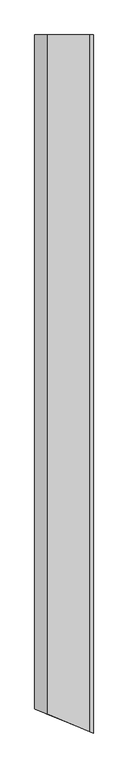
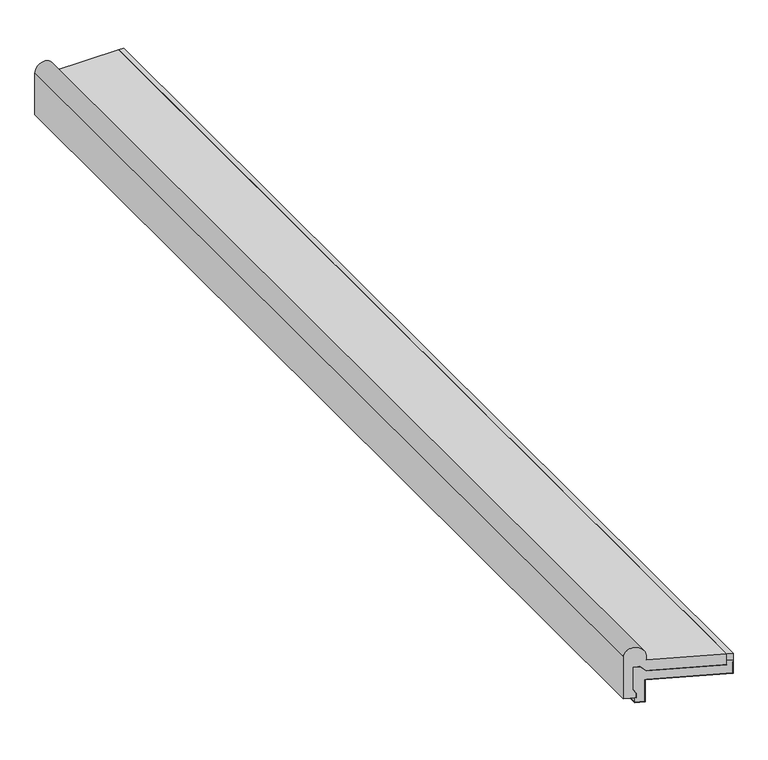
"""IFC4 building model written with IfcOpenShell, lengths in millimetres: proxy geometry."""

from ifc_helpers import new_model, si_unit, frame, origin, place, context, project, spatial, polyline, circle_curve, ellipse_curve, outline, extrude, faceted_brep, source, transform, mapped, element, save
from ifc_brep_helpers import plane_surface, cylinder_surface, advanced_brep


def generic_models_6fe4d496(model_context):
    return source(origin(), model_context, "Body", "SolidModel", [
        extrude(outline(polyline([(180.0, 1136.5934486), (191.0, 1136.5934486), (191.0, -1136.5934486), (180.0, -1132.0370994), (180.0, 1136.5934486)])), frame((0.0, 0.0, 81.0), z_axis=(0.0, 0.0, 1.0), x_axis=(1.0, 0.0, 0.0)), (0.0, 0.0, 1.0), 15.0),
        faceted_brep([(190.0, -1136.1792351, 76.0), (190.0, -1136.1792351, 51.0), (37.5062786, -1073.0142675, 51.0), (37.5062786, -1073.0142675, 1.0), (20.0, -1065.7629295, 1.0), (20.0, -1065.7629295, 0.0), (38.5062786, -1073.4284811, 0.0), (38.5062786, -1073.4284811, 50.0), (191.0, -1136.5934486, 50.0), (191.0, -1136.5934486, 76.0), (190.0, 1136.5934486, 76.0), (190.0, 1136.5934486, 51.0), (191.0, 1136.5934486, 76.0), (191.0, 1136.5934486, 50.0), (38.5062786, 1136.5934486, 50.0), (38.5062786, 1136.5934486, 0.0), (20.0, 1136.5934486, 0.0), (20.0, 1136.5934486, 1.0), (37.5062786, 1136.5934486, 1.0), (37.5062786, 1136.5934486, 51.0)], [[[0, 1, 2, 3, 4, 5, 6, 7, 8, 9]], [[10, 11, 1, 0]], [[12, 10, 0, 9]], [[13, 12, 9, 8]], [[14, 13, 8, 7]], [[15, 14, 7, 6]], [[16, 15, 6, 5]], [[17, 16, 5, 4]], [[18, 17, 4, 3]], [[19, 18, 3, 2]], [[11, 19, 2, 1]], [[11, 10, 12, 13, 14, 15, 16, 17, 18, 19]]]),
        faceted_brep([(17.5062786, -1064.7299963, 29.6493791), (22.5, -1066.7984634, 21.0), (22.5, -1066.7984634, 11.0), (20.0, -1065.7629295, 11.0), (20.0, -1065.7629295, 1.0), (37.5062786, -1073.0142675, 1.0), (37.5062786, -1073.0142675, 51.0), (190.0, -1136.1792351, 51.0), (190.0, -1136.1792351, 76.0), (191.0, -1136.5934486, 76.0), (191.0, -1136.5934486, 81.0), (180.0, -1132.0370994, 81.0), (180.0, -1132.0370994, 71.0), (40.0, -1074.0472007, 71.0), (30.0, -1069.9050651, 81.0), (17.5062786, -1064.7299963, 81.0), (17.5062786, 1136.5934486, 29.6493791), (22.5, 1136.5934486, 21.0), (17.5062786, 1136.5934486, 81.0), (30.0, 1136.5934486, 81.0), (40.0, 1136.5934486, 71.0), (180.0, 1136.5934486, 71.0), (180.0, 1136.5934486, 81.0), (191.0, 1136.5934486, 81.0), (190.0, 1136.5934486, 51.0), (190.0, 1136.5934486, 76.0), (37.5062786, 1136.5934486, 51.0), (37.5062786, 1136.5934486, 1.0), (20.0, 1136.5934486, 1.0), (20.0, 1136.5934486, 11.0), (22.5, 1136.5934486, 11.0), (191.0, 1136.5934486, 76.0)], [[[0, 1, 2, 3, 4, 5, 6, 7, 8, 9, 10, 11, 12, 13, 14, 15]], [[16, 17, 1, 0]], [[18, 16, 0, 15]], [[19, 18, 15, 14]], [[20, 19, 14, 13]], [[21, 20, 13, 12]], [[22, 21, 12, 11]], [[23, 22, 11, 10]], [[24, 25, 8, 7]], [[26, 24, 7, 6]], [[27, 26, 6, 5]], [[28, 27, 5, 4]], [[29, 28, 4, 3]], [[30, 29, 3, 2]], [[17, 30, 2, 1]], [[31, 23, 10, 9]], [[25, 31, 9, 8]], [[17, 16, 18, 19, 20, 21, 22, 23, 31, 25, 24, 26, 27, 28, 29, 30]]]),
        advanced_brep(
        [(180.0, 1136.5934486, 96.0), (40.0, 1136.5934486, 96.0), (40.0, -1074.0472007, 96.0), (180.0, -1132.0370994, 96.0), (180.0, 1136.5934486, 71.0), (180.0, -1132.0370994, 71.0), (40.0, 1136.5934486, 71.0), (40.0, -1074.0472007, 71.0), (30.0, 1136.5934486, 81.0), (30.0, -1069.9050651, 81.0), (17.5062786, 1136.5934486, 81.0), (17.5062786, -1064.7299963, 81.0), (17.5062786, 1136.5934486, 29.6493791), (17.5062786, -1064.7299963, 29.6493791), (22.5, 1136.5934486, 21.0), (22.5, -1066.7984634, 21.0), (22.5, 1136.5934486, 11.0), (22.5, -1066.7984634, 11.0), (0.0, 1136.5934486, 11.0), (0.0, -1057.4786582, 11.0), (0.0, 1136.5934486, 106.0), (0.0, -1057.4786582, 106.0), (40.0, 1136.5934486, 106.0), (20.0, -1065.7629295, 126.0), (40.0, -1074.0472007, 106.0)],
        [
            (0, 1),
            (1, 2),
            (2, 3),
            (3, 0),
            (4, 0),
            (3, 5),
            (5, 4),
            (6, 4),
            (5, 7),
            (7, 6),
            (8, 6),
            (7, 9),
            (9, 8),
            (10, 8),
            (9, 11),
            (11, 10),
            (12, 10),
            (11, 13),
            (13, 12),
            (14, 12),
            (13, 15),
            (15, 14),
            (16, 14),
            (15, 17),
            (17, 16),
            (18, 16),
            (17, 19),
            (19, 18),
            (20, 18),
            (19, 21),
            (21, 20),
            (22, 20, circle_curve(frame((20.0, 1136.5934486, 106.0), z_axis=(0.0, -1.0, 0.0), x_axis=(1.0, 0.0, 0.0)), 20.0)),
            (21, 23, ellipse_curve(frame((20.0, -1065.7629295, 106.0), z_axis=(0.3826834323650894, 0.923879532511287, 0.0), x_axis=(-0.9238795325112871, 0.3826834323650891, 0.0)), 21.647844, 20.0)),
            (23, 24, ellipse_curve(frame((20.0, -1065.7629295, 106.0), z_axis=(0.3826834323650894, 0.923879532511287, 0.0), x_axis=(-0.9238795325112871, 0.3826834323650891, 0.0)), 21.647844, 20.0)),
            (24, 22),
            (1, 22),
            (24, 2),
        ],
        [
            plane_surface(frame((40.0, 1136.5934486, 96.0), z_axis=(0.0, 0.0, 1.0), x_axis=(0.0, -1.0, 0.0))),
            plane_surface(frame((180.0, 1136.5934486, 96.0), z_axis=(1.0, 0.0, 0.0), x_axis=(0.0, -1.0, 0.0))),
            plane_surface(frame((180.0, 1136.5934486, 71.0), z_axis=(0.0, 0.0, -1.0), x_axis=(0.0, -1.0, 0.0))),
            plane_surface(frame((40.0, 1136.5934486, 71.0), z_axis=(-0.7071067811865497, 0.0, -0.7071067811865455), x_axis=(0.0, -1.0, 0.0))),
            plane_surface(frame((30.0, 1136.5934486, 81.0), z_axis=(0.0, 0.0, -1.0), x_axis=(0.0, -1.0, 0.0))),
            plane_surface(frame((17.5062786, 1136.5934486, 81.0), z_axis=(1.0, 0.0, 0.0), x_axis=(0.0, -1.0, 0.0))),
            plane_surface(frame((17.5062786, 1136.5934486, 29.6493791), z_axis=(0.8660254037844387, 0.0, 0.5), x_axis=(0.0, -1.0, 0.0))),
            plane_surface(frame((22.5, 1136.5934486, 21.0), z_axis=(1.0, 0.0, 0.0), x_axis=(0.0, -1.0, 0.0))),
            plane_surface(frame((22.5, 1136.5934486, 11.0), z_axis=(0.0, 0.0, -1.0), x_axis=(0.0, -1.0, 0.0))),
            plane_surface(frame((0.0, 1136.5934486, 11.0), z_axis=(-1.0, 0.0, 0.0), x_axis=(0.0, -1.0, 0.0))),
            cylinder_surface(frame((20.0, 1136.5934486, 106.0), z_axis=(0.0, 1.0, 0.0), x_axis=(1.0, 0.0, 0.0)), 20.0),
            plane_surface(frame((40.0, 1136.5934486, 106.0), z_axis=(1.0, 0.0, 0.0), x_axis=(0.0, -1.0, 0.0))),
            plane_surface(frame((191.0, -1136.5934486, 126.0), z_axis=(-0.3826834323650894, -0.923879532511287, 0.0), x_axis=(0.0, 0.0, -1.0))),
            plane_surface(frame((0.0, 1136.5934486, 0.0), z_axis=(0.0, 1.0, 0.0), x_axis=(0.0, 0.0, 1.0))),
        ],
        [
            (0, [[1, 2, 3, 4]]),
            (1, [[5, -4, 6, 7]]),
            (2, [[8, -7, 9, 10]]),
            (3, [[11, -10, 12, 13]]),
            (4, [[14, -13, 15, 16]]),
            (5, [[17, -16, 18, 19]]),
            (6, [[20, -19, 21, 22]]),
            (7, [[23, -22, 24, 25]]),
            (8, [[26, -25, 27, 28]]),
            (9, [[29, -28, 30, 31]]),
            (10, [[32, -31, 33, 34, 35]]),
            (11, [[36, -35, 37, -2]]),
            (12, [[-3, -37, -34, -33, -30, -27, -24, -21, -18, -15, -12, -9, -6]]),
            (13, [[-1, -5, -8, -11, -14, -17, -20, -23, -26, -29, -32, -36]]),
        ],
    ),
    ])


if __name__ == "__main__":
    model = new_model("IFC4")
    model_context = context("Model", 3, world=origin())
    ifc_project = project(units=[si_unit("LENGTHUNIT", "METRE", prefix="MILLI")], contexts=[model_context])
    site = spatial("IfcSite", under=ifc_project)
    building = spatial("IfcBuilding", under=site)
    placement = place(None, origin())
    generic_models_shape = generic_models_6fe4d496(model_context)
    element("IfcBuildingElementProxy", 1, Name="Generic Models", at=placement, inside=building, context=model_context, shape_type="MappedRepresentation", body=[
        mapped(generic_models_shape, transform((0.0, 0.0, 0.0), x_axis=(1.0, 0.0, 0.0), y_axis=(0.0, 1.0, 0.0), z_axis=(0.0, 0.0, 1.0))),
    ])
    save(model, "model.ifc")
